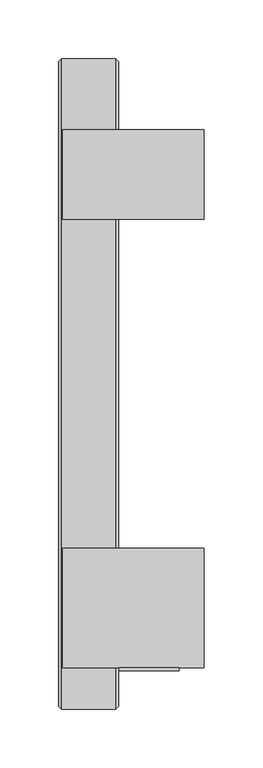
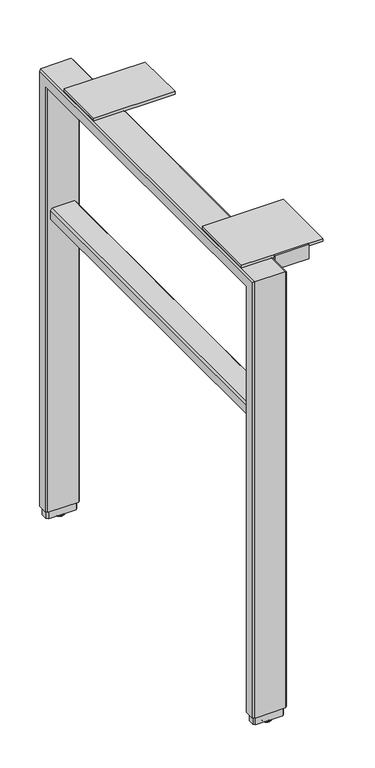
"""IFC4 building model written with IfcOpenShell, lengths in millimetres: furniture geometry."""

from ifc_helpers import new_model, si_unit, point, frame, origin, place, context, project, spatial, polyline, circle_curve, ellipse_curve, trimmed, outline, extrude, faceted_brep, source, transform, mapped, element, save
from ifc_brep_helpers import plane_surface, cylinder_surface, revolved_surface, advanced_brep


def furniture_09e1e47b(model_context):
    return source(origin(), model_context, "Body", "SolidModel", [
        faceted_brep([(-713.738802, -267.6847799, 16.51), (-711.1994, -270.2247775, 16.51), (-711.1994, -284.1947823, 16.51), (-713.738802, -286.7347799, 16.51), (-759.458801, -286.7347799, 16.51), (-761.998801, -284.1947823, 16.51), (-761.998801, -270.2247775, 16.51), (-759.458801, -267.6847799, 16.51), (-711.1994, -270.2247775, 686.1556198), (-711.1994, 249.5100177, 686.1556198), (-711.1994, 249.5100177, 16.51), (-711.1994, 263.4800225, 16.51), (-711.1994, 263.4800225, 700.1256246), (-711.1994, -284.1947823, 700.1256246), (-713.738802, -286.7347799, 702.6656222), (-759.458801, -286.7347799, 702.6656222), (-761.998801, -284.1947823, 700.1256246), (-761.998801, 263.4800225, 700.1256246), (-761.998801, 263.4800225, 16.51), (-761.998801, 249.5100177, 16.51), (-761.998801, 249.5100177, 686.1556198), (-761.998801, -270.2247775, 686.1556198), (-759.458801, -267.6847799, 683.6156222), (-713.738802, -267.6847799, 683.6156222), (-713.738802, 266.0200201, 702.6656222), (-759.458801, 266.0200201, 702.6656222), (-759.458801, 246.9700201, 683.6156222), (-713.738802, 246.9700201, 683.6156222), (-713.738802, 266.0200201, 16.51), (-759.458801, 266.0200201, 16.51), (-759.458801, 246.9700201, 16.51), (-713.738802, 246.9700201, 16.51)], [[[0, 1, 2, 3, 4, 5, 6, 7]], [[2, 1, 8, 9, 10, 11, 12, 13]], [[4, 3, 14, 15]], [[6, 5, 16, 17, 18, 19, 20, 21]], [[0, 7, 22, 23]], [[15, 14, 24, 25]], [[23, 22, 26, 27]], [[25, 24, 28, 29]], [[27, 26, 30, 31]], [[31, 30, 19, 18, 29, 28, 11, 10]], [[1, 0, 23, 8]], [[3, 2, 13, 14]], [[5, 4, 15, 16]], [[7, 6, 21, 22]], [[8, 23, 27, 9]], [[14, 13, 12, 24]], [[16, 15, 25, 17]], [[22, 21, 20, 26]], [[9, 27, 31, 10]], [[24, 12, 11, 28]], [[17, 25, 29, 18]], [[26, 20, 19, 30]]]),
        extrude(outline(polyline([(-254.0957799, 684.5046222), (-254.0957799, 707.0090222), (-251.8097799, 707.0090222), (-251.8097799, 688.8480222), (-230.7277799, 688.8480222), (-230.7277799, 684.5046222), (-254.0957799, 684.5046222)])), frame((-710.563801, 0.0, 0.0), z_axis=(1.0, 0.0, 0.0), x_axis=(0.0, 1.0, 0.0)), (0.0, 0.0, 1.0), 50.8),
        advanced_brep(
        [(-731.5193954, 256.4950201, 0.0), (-741.6793993, 256.4950201, 0.0), (-736.5993974, 256.4950201, 0.0), (-736.5993974, 256.4950201, 3.8100001), (-743.2220422, 256.4950201, 3.8100001), (-729.9767525, 256.4950201, 3.8100001), (-743.7113974, 256.4950201, 3.183654), (-729.4873973, 256.4950201, 3.183654), (-743.7113974, 256.4950201, 2.032), (-729.4873973, 256.4950201, 2.032)],
        [
            (0, 1, circle_curve(frame((-736.5993974, 256.4950201, 0.0), z_axis=(0.0, 0.0, -1.0), x_axis=(-1.0, 0.0, 0.0)), 5.080002)),
            (1, 2),
            (2, 0),
            (1, 0, circle_curve(frame((-736.5993974, 256.4950201, 0.0), z_axis=(0.0, 0.0, -1.0), x_axis=(-1.0, 0.0, 0.0)), 5.080002)),
            (3, 4),
            (4, 5, circle_curve(frame((-736.5993974, 256.4950201, 3.8100001), z_axis=(0.0, 0.0, 1.0), x_axis=(-1.0, 0.0, 0.0)), 6.6226448)),
            (5, 3),
            (5, 4, circle_curve(frame((-736.5993974, 256.4950201, 3.8100001), z_axis=(0.0, 0.0, 1.0), x_axis=(-1.0, 0.0, 0.0)), 6.6226448)),
            (4, 6),
            (6, 7, circle_curve(frame((-736.5993974, 256.4950201, 3.183654), z_axis=(0.0, 0.0, 1.0), x_axis=(-1.0, 0.0, 0.0)), 7.112)),
            (7, 5),
            (7, 6, circle_curve(frame((-736.5993974, 256.4950201, 3.183654), z_axis=(0.0, 0.0, 1.0), x_axis=(-1.0, 0.0, 0.0)), 7.112)),
            (6, 8),
            (8, 9, circle_curve(frame((-736.5993974, 256.4950201, 2.032), z_axis=(0.0, 0.0, 1.0), x_axis=(-1.0, 0.0, 0.0)), 7.112)),
            (9, 7),
            (9, 8, circle_curve(frame((-736.5993974, 256.4950201, 2.032), z_axis=(0.0, 0.0, 1.0), x_axis=(-1.0, 0.0, 0.0)), 7.112)),
            (8, 1, circle_curve(frame((-740.2425579, 256.4950201, 3.4688381), z_axis=(0.0, -1.0, 0.0), x_axis=(-1.0, 0.0, 0.0)), 3.7546439)),
            (0, 9, circle_curve(frame((-732.9562368, 256.4950201, 3.4688381), z_axis=(0.0, -1.0, 0.0), x_axis=(1.0, 0.0, 0.0)), 3.7546439)),
        ],
        [
            plane_surface(frame((-736.5993974, 256.4950201, 0.0), z_axis=(0.0, 0.0, -1.0), x_axis=(-1.0, 0.0, 0.0))),
            plane_surface(frame((-736.5993974, 256.4950201, 3.8100001), z_axis=(0.0, 0.0, 1.0), x_axis=(-1.0, 0.0, 0.0))),
            revolved_surface(polyline([(-743.7113974, 256.4950201, 3.183654), (-743.2220422, 256.4950201, 3.8100001)]), (-736.5993974, 256.4950201, -2.6032322), (0.0, 0.0, 1.0)),
            cylinder_surface(frame((-736.5993974, 256.4950201, -2.6032322), z_axis=(0.0, 0.0, 1.0), x_axis=(-1.0, 0.0, 0.0)), 7.112),
            revolved_surface(trimmed(ellipse_curve(frame((-740.2425579, 256.4950201, 3.4688381), z_axis=(0.0, 1.0, 0.0), x_axis=(-1.0, 0.0, 0.0)), 3.7546439, 3.7546439), [point((-741.6793993, 256.4950201, 0.0))], [point((-743.7113974, 256.4950201, 2.032))], True, "CARTESIAN"), (-736.5993974, 256.4950201, -2.6032322), (0.0, 0.0, 1.0)),
        ],
        [
            (0, [[1, 2, 3]]),
            (0, [[4, -3, -2]]),
            (1, [[5, 6, 7]]),
            (1, [[-7, 8, -5]]),
            (2, [[-6, 9, 10, 11]]),
            (2, [[-8, -11, 12, -9]]),
            (3, [[-10, 13, 14, 15]]),
            (3, [[-12, -15, 16, -13]]),
            (4, [[-14, 17, -1, 18]]),
            (4, [[-16, -18, -4, -17]]),
        ],
    ),
        extrude(outline(polyline([(-638.173801, -150.2097799), (-638.173801, -251.8097799), (-758.823801, -251.8097799), (-758.823801, -150.2097799), (-638.173801, -150.2097799)])), frame((0.0, 0.0, 702.6656222), z_axis=(0.0, 0.0, 1.0), x_axis=(1.0, 0.0, 0.0)), (0.0, 0.0, 1.0), 4.3434),
        extrude(outline(polyline([(-638.173801, 205.6950201), (-638.173801, 129.4950201), (-758.823801, 129.4950201), (-758.823801, 205.6950201), (-638.173801, 205.6950201)])), frame((0.0, 0.0, 702.6656222), z_axis=(0.0, 0.0, 1.0), x_axis=(1.0, 0.0, 0.0)), (0.0, 0.0, 1.0), 4.3434),
        extrude(outline(polyline([(476.5039908, -755.6487993), (473.9639932, -753.1088017), (473.9639932, -720.0887986), (476.5039908, -717.548801), (490.4739956, -717.548801), (493.0139932, -720.0887986), (493.0139932, -753.1087989), (490.4739928, -755.6487993), (476.5039908, -755.6487993)])), frame((0.0, -267.6847799, 0.0), z_axis=(0.0, 1.0, 0.0), x_axis=(0.0, 0.0, 1.0)), (0.0, 0.0, 1.0), 514.6548),
        advanced_brep(
        [(-731.5193954, -277.2097799, 0.0), (-741.6793993, -277.2097799, 0.0), (-736.5993974, -277.2097799, 0.0), (-736.5993974, -277.2097799, 3.8100001), (-743.2220422, -277.2097799, 3.8100001), (-729.9767525, -277.2097799, 3.8100001), (-743.7113974, -277.2097799, 3.183654), (-729.4873973, -277.2097799, 3.183654), (-743.7113974, -277.2097799, 2.032), (-729.4873973, -277.2097799, 2.032)],
        [
            (0, 1, circle_curve(frame((-736.5993974, -277.2097799, 0.0), z_axis=(0.0, 0.0, -1.0), x_axis=(-1.0, 0.0, 0.0)), 5.080002)),
            (1, 2),
            (2, 0),
            (1, 0, circle_curve(frame((-736.5993974, -277.2097799, 0.0), z_axis=(0.0, 0.0, -1.0), x_axis=(-1.0, 0.0, 0.0)), 5.080002)),
            (3, 4),
            (4, 5, circle_curve(frame((-736.5993974, -277.2097799, 3.8100001), z_axis=(0.0, 0.0, 1.0), x_axis=(-1.0, 0.0, 0.0)), 6.6226448)),
            (5, 3),
            (5, 4, circle_curve(frame((-736.5993974, -277.2097799, 3.8100001), z_axis=(0.0, 0.0, 1.0), x_axis=(-1.0, 0.0, 0.0)), 6.6226448)),
            (4, 6),
            (6, 7, circle_curve(frame((-736.5993974, -277.2097799, 3.183654), z_axis=(0.0, 0.0, 1.0), x_axis=(-1.0, 0.0, 0.0)), 7.112)),
            (7, 5),
            (7, 6, circle_curve(frame((-736.5993974, -277.2097799, 3.183654), z_axis=(0.0, 0.0, 1.0), x_axis=(-1.0, 0.0, 0.0)), 7.112)),
            (6, 8),
            (8, 9, circle_curve(frame((-736.5993974, -277.2097799, 2.032), z_axis=(0.0, 0.0, 1.0), x_axis=(-1.0, 0.0, 0.0)), 7.112)),
            (9, 7),
            (9, 8, circle_curve(frame((-736.5993974, -277.2097799, 2.032), z_axis=(0.0, 0.0, 1.0), x_axis=(-1.0, 0.0, 0.0)), 7.112)),
            (8, 1, circle_curve(frame((-740.2425579, -277.2097799, 3.4688381), z_axis=(0.0, -1.0, 0.0), x_axis=(-1.0, 0.0, 0.0)), 3.7546439)),
            (0, 9, circle_curve(frame((-732.9562368, -277.2097799, 3.4688381), z_axis=(0.0, -1.0, 0.0), x_axis=(1.0, 0.0, 0.0)), 3.7546439)),
        ],
        [
            plane_surface(frame((-736.5993974, -277.2097799, 0.0), z_axis=(0.0, 0.0, -1.0), x_axis=(-1.0, 0.0, 0.0))),
            plane_surface(frame((-736.5993974, -277.2097799, 3.8100001), z_axis=(0.0, 0.0, 1.0), x_axis=(-1.0, 0.0, 0.0))),
            revolved_surface(polyline([(-743.7113974, -277.2097799, 3.183654), (-743.2220422, -277.2097799, 3.8100001)]), (-736.5993974, -277.2097799, -2.6032322), (0.0, 0.0, 1.0)),
            cylinder_surface(frame((-736.5993974, -277.2097799, -2.6032322), z_axis=(0.0, 0.0, 1.0), x_axis=(-1.0, 0.0, 0.0)), 7.112),
            revolved_surface(trimmed(ellipse_curve(frame((-740.2425579, -277.2097799, 3.4688381), z_axis=(0.0, 1.0, 0.0), x_axis=(-1.0, 0.0, 0.0)), 3.7546439, 3.7546439), [point((-741.6793993, -277.2097799, 0.0))], [point((-743.7113974, -277.2097799, 2.032))], True, "CARTESIAN"), (-736.5993974, -277.2097799, -2.6032322), (0.0, 0.0, 1.0)),
        ],
        [
            (0, [[1, 2, 3]]),
            (0, [[4, -3, -2]]),
            (1, [[5, 6, 7]]),
            (1, [[-7, 8, -5]]),
            (2, [[-6, 9, 10, 11]]),
            (2, [[-8, -11, 12, -9]]),
            (3, [[-10, 13, 14, 15]]),
            (3, [[-12, -15, 16, -13]]),
            (4, [[-14, 17, -1, 18]]),
            (4, [[-16, -18, -4, -17]]),
        ],
    ),
        extrude(outline(polyline([(-757.0458011, -270.0977867), (-716.1523987, -270.0977867), (-713.6118022, -272.6377843), (-713.6118022, -281.7817756), (-716.1523987, -284.3217731), (-757.0458011, -284.3217731), (-759.5858009, -281.7817756), (-759.5858009, -272.6377843), (-757.0458011, -270.0977867)])), frame((0.0, 0.0, 3.8100001), z_axis=(0.0, 0.0, 1.0), x_axis=(1.0, 0.0, 0.0)), (0.0, 0.0, 1.0), 12.6999999),
        extrude(outline(polyline([(-757.0458011, 263.6070201), (-716.1523987, 263.6070201), (-713.6118022, 261.0670225), (-713.6118022, 251.9230312), (-716.1523987, 249.3830336), (-757.0458011, 249.3830336), (-759.5858009, 251.9230312), (-759.5858009, 261.0670225), (-757.0458011, 263.6070201)])), frame((0.0, 0.0, 3.8100001), z_axis=(0.0, 0.0, 1.0), x_axis=(1.0, 0.0, 0.0)), (0.0, 0.0, 1.0), 12.6999999),
    ])


if __name__ == "__main__":
    model = new_model("IFC4")
    model_context = context("Model", 3, world=origin())
    ifc_project = project(units=[si_unit("LENGTHUNIT", "METRE", prefix="MILLI")], contexts=[model_context])
    site = spatial("IfcSite", under=ifc_project)
    building = spatial("IfcBuilding", under=site)
    placement = place(None, origin())
    furniture_shape = furniture_09e1e47b(model_context)
    element("IfcFurniture", 1, at=placement, inside=building, context=model_context, shape_type="MappedRepresentation", body=[
        mapped(furniture_shape, transform((0.0, 0.0, 0.0), x_axis=(1.0, 0.0, 0.0), y_axis=(0.0, 1.0, 0.0), z_axis=(0.0, 0.0, 1.0))),
    ])
    save(model, "model.ifc")
